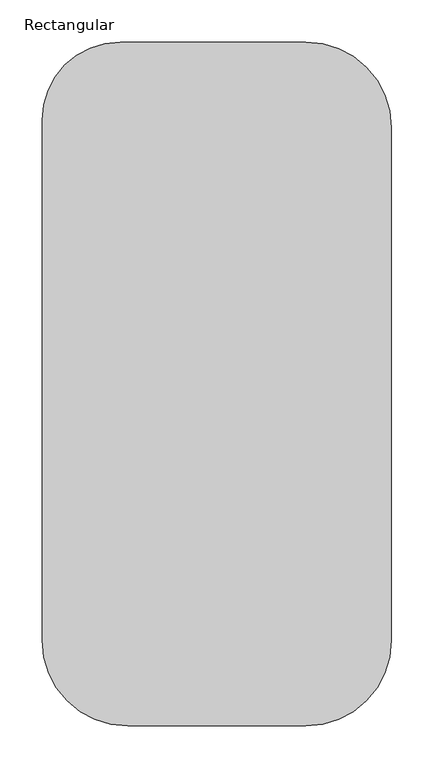
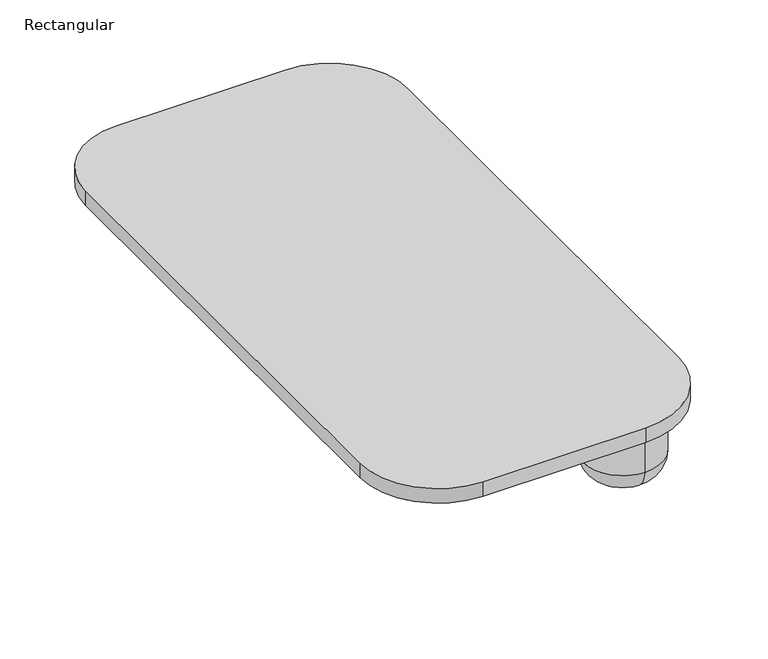
"""IFC4 building model written with IfcOpenShell, lengths in millimetres: furniture geometry, Rectangular."""

from ifc_helpers import new_model, si_unit, point, frame, frame_2d, origin, place, context, project, spatial, polyline, circle_curve, ellipse_curve, trimmed, segment, composite_curve, outline, extrude, source, transform, mapped, element, save
from ifc_brep_helpers import plane_surface, cylinder_surface, revolved_surface, advanced_brep


def rectangular_901ed109(model_context):
    return source(origin(), model_context, "Body", "SolidModel", [
        extrude(outline(composite_curve([segment(trimmed(circle_curve(frame_2d((123.19, 132.955)), 3.81), [point((127.0, 132.955))], [point((123.19, 129.145))], False, "CARTESIAN"), True, "CONTINUOUS"), segment(polyline([(123.19, 129.145), (74.93, 129.145)]), True, "CONTINUOUS"), segment(trimmed(circle_curve(frame_2d((74.93, 132.955)), 3.81), [point((74.93, 129.145))], [point((71.12, 132.955))], False, "CARTESIAN"), True, "CONTINUOUS"), segment(polyline([(71.12, 132.955), (71.12, 155.335)]), True, "CONTINUOUS"), segment(trimmed(circle_curve(frame_2d((74.93, 155.335)), 3.81), [point((71.12, 155.335))], [point((74.93, 159.145))], False, "CARTESIAN"), True, "CONTINUOUS"), segment(polyline([(74.93, 159.145), (123.19, 159.145)]), True, "CONTINUOUS"), segment(trimmed(circle_curve(frame_2d((123.19, 155.335)), 3.81), [point((123.19, 159.145))], [point((127.0, 155.335))], False, "CARTESIAN"), True, "CONTINUOUS"), segment(polyline([(127.0, 155.335), (127.0, 132.955)]), True, "CONTINUOUS")], self_intersect=False)), frame((0.0, -288.29, 0.0), z_axis=(0.0, 1.0, 0.0), x_axis=(0.0, 0.0, 1.0)), (0.0, 0.0, 1.0), 576.58),
        advanced_brep(
        [(144.145, 288.29, 127.0), (144.145, 237.49, 127.0), (144.145, 339.09, 127.0), (144.145, 237.49, 31.75), (144.145, 339.09, 31.75), (144.145, 269.24, 0.0), (144.145, 307.34, 0.0), (144.145, 288.29, 0.0)],
        [
            (0, 1),
            (1, 2, circle_curve(frame((144.145, 288.29, 127.0), z_axis=(0.0, 0.0, 1.0), x_axis=(0.0, 1.0, 0.0)), 50.8)),
            (2, 0),
            (2, 1, circle_curve(frame((144.145, 288.29, 127.0), z_axis=(0.0, 0.0, 1.0), x_axis=(0.0, 1.0, 0.0)), 50.8)),
            (1, 3),
            (3, 4, circle_curve(frame((144.145, 288.29, 31.75), z_axis=(0.0, 0.0, 1.0), x_axis=(0.0, 1.0, 0.0)), 50.8)),
            (4, 2),
            (4, 3, circle_curve(frame((144.145, 288.29, 31.75), z_axis=(0.0, 0.0, 1.0), x_axis=(0.0, 1.0, 0.0)), 50.8)),
            (3, 5, circle_curve(frame((144.145, 269.24, 31.75), z_axis=(1.0, 0.0, 0.0), x_axis=(0.0, -1.0, 0.0)), 31.75)),
            (5, 6, circle_curve(frame((144.145, 288.29, 0.0), z_axis=(0.0, 0.0, 1.0), x_axis=(0.0, 1.0, 0.0)), 19.05)),
            (6, 4, circle_curve(frame((144.145, 307.34, 31.75), z_axis=(1.0, 0.0, 0.0), x_axis=(0.0, 1.0, 0.0)), 31.75)),
            (6, 5, circle_curve(frame((144.145, 288.29, 0.0), z_axis=(0.0, 0.0, 1.0), x_axis=(0.0, 1.0, 0.0)), 19.05)),
            (5, 7),
            (7, 6),
        ],
        [
            plane_surface(frame((144.145, 288.29, 127.0), z_axis=(0.0, 0.0, 1.0), x_axis=(0.0, 1.0, 0.0))),
            cylinder_surface(frame((144.145, 288.29, 153.52), z_axis=(0.0, 0.0, 1.0), x_axis=(0.0, 1.0, 0.0)), 50.8),
            revolved_surface(trimmed(ellipse_curve(frame((144.145, 307.34, 31.75), z_axis=(1.0, 0.0, 0.0), x_axis=(0.0, 1.0, 0.0)), 31.75, 31.75), [point((144.145, 307.34, 0.0))], [point((144.145, 339.09, 31.75))], True, "CARTESIAN"), (144.145, 288.29, 153.52), (0.0, 0.0, 1.0)),
            plane_surface(frame((144.145, 288.29, 0.0), z_axis=(0.0, 0.0, -1.0), x_axis=(0.0, 1.0, 0.0))),
        ],
        [
            (0, [[1, 2, 3]]),
            (0, [[-3, 4, -1]]),
            (1, [[5, 6, 7, -2]]),
            (1, [[-7, 8, -5, -4]]),
            (2, [[9, 10, 11, -6]]),
            (2, [[-11, 12, -9, -8]]),
            (3, [[13, 14, -10]]),
            (3, [[-14, -13, -12]]),
        ],
    ),
        advanced_brep(
        [(144.145, -237.49, 127.0), (144.145, -288.29, 127.0), (144.145, -339.09, 127.0), (144.145, -237.49, 31.75), (144.145, -339.09, 31.75), (144.145, -269.24, 0.0), (144.145, -307.34, 0.0), (144.145, -288.29, 0.0)],
        [
            (0, 1),
            (1, 2),
            (2, 0, circle_curve(frame((144.145, -288.29, 127.0), z_axis=(0.0, 0.0, 1.0), x_axis=(0.0, -1.0, 0.0)), 50.8)),
            (0, 2, circle_curve(frame((144.145, -288.29, 127.0), z_axis=(0.0, 0.0, 1.0), x_axis=(0.0, -1.0, 0.0)), 50.8)),
            (3, 0),
            (2, 4),
            (4, 3, circle_curve(frame((144.145, -288.29, 31.75), z_axis=(0.0, 0.0, 1.0), x_axis=(0.0, -1.0, 0.0)), 50.8)),
            (3, 4, circle_curve(frame((144.145, -288.29, 31.75), z_axis=(0.0, 0.0, 1.0), x_axis=(0.0, -1.0, 0.0)), 50.8)),
            (5, 3, circle_curve(frame((144.145, -269.24, 31.75), z_axis=(1.0, 0.0, 0.0), x_axis=(0.0, 1.0, 0.0)), 31.75)),
            (4, 6, circle_curve(frame((144.145, -307.34, 31.75), z_axis=(1.0, 0.0, 0.0), x_axis=(0.0, -1.0, 0.0)), 31.75)),
            (6, 5, circle_curve(frame((144.145, -288.29, 0.0), z_axis=(0.0, 0.0, 1.0), x_axis=(0.0, -1.0, 0.0)), 19.05)),
            (5, 6, circle_curve(frame((144.145, -288.29, 0.0), z_axis=(0.0, 0.0, 1.0), x_axis=(0.0, -1.0, 0.0)), 19.05)),
            (7, 5),
            (6, 7),
        ],
        [
            plane_surface(frame((144.145, -288.29, 127.0), z_axis=(0.0, 0.0, 1.0), x_axis=(0.0, -1.0, 0.0))),
            cylinder_surface(frame((144.145, -288.29, 153.52), z_axis=(0.0, 0.0, -1.0), x_axis=(0.0, -1.0, 0.0)), 50.8),
            revolved_surface(trimmed(ellipse_curve(frame((144.145, -307.34, 31.75), z_axis=(1.0, 0.0, 0.0), x_axis=(0.0, -1.0, 0.0)), 31.75, 31.75), [point((144.145, -339.09, 31.75))], [point((144.145, -307.34, 0.0))], True, "CARTESIAN"), (144.145, -288.29, 153.52), (0.0, 0.0, -1.0)),
            plane_surface(frame((144.145, -288.29, 0.0), z_axis=(0.0, 0.0, -1.0), x_axis=(0.0, -1.0, 0.0))),
        ],
        [
            (0, [[1, 2, 3]]),
            (0, [[-2, -1, 4]]),
            (1, [[5, -3, 6, 7]]),
            (1, [[-6, -4, -5, 8]]),
            (2, [[9, -7, 10, 11]]),
            (2, [[-10, -8, -9, 12]]),
            (3, [[13, -11, 14]]),
            (3, [[-14, -12, -13]]),
        ],
    ),
        extrude(outline(composite_curve([segment(trimmed(circle_curve(frame_2d((106.045, 304.8)), 101.6), [point((106.045, 406.4))], [point((207.645, 304.8))], False, "CARTESIAN"), True, "CONTINUOUS"), segment(polyline([(207.645, 304.8), (207.645, -304.8)]), True, "CONTINUOUS"), segment(trimmed(circle_curve(frame_2d((106.045, -304.8)), 101.6), [point((207.645, -304.8))], [point((106.045, -406.4))], False, "CARTESIAN"), True, "CONTINUOUS"), segment(polyline([(106.045, -406.4), (-106.045, -406.4)]), True, "CONTINUOUS"), segment(trimmed(circle_curve(frame_2d((-106.045, -304.8)), 101.6), [point((-106.045, -406.4))], [point((-207.645, -304.8))], False, "CARTESIAN"), True, "CONTINUOUS"), segment(polyline([(-207.645, -304.8), (-207.645, 313.69)]), True, "CONTINUOUS"), segment(trimmed(circle_curve(frame_2d((-114.935, 313.69)), 92.71), [point((-207.645, 313.69))], [point((-114.935, 406.4))], False, "CARTESIAN"), True, "CONTINUOUS"), segment(polyline([(-114.935, 406.4), (106.045, 406.4)]), True, "CONTINUOUS")], self_intersect=False)), frame((0.0, 0.0, 127.0), z_axis=(0.0, 0.0, 1.0), x_axis=(1.0, 0.0, 0.0)), (0.0, 0.0, 1.0), 20.0),
        extrude(outline(composite_curve([segment(polyline([(-299.48, 127.0), (-277.1, 127.0)]), True, "CONTINUOUS"), segment(trimmed(circle_curve(frame_2d((-277.1, 123.19)), 3.81), [point((-277.1, 127.0))], [point((-273.29, 123.19))], False, "CARTESIAN"), True, "CONTINUOUS"), segment(polyline([(-273.29, 123.19), (-273.29, 74.93)]), True, "CONTINUOUS"), segment(trimmed(circle_curve(frame_2d((-277.1, 74.93)), 3.81), [point((-273.29, 74.93))], [point((-277.1, 71.12))], False, "CARTESIAN"), True, "CONTINUOUS"), segment(polyline([(-277.1, 71.12), (-299.48, 71.12)]), True, "CONTINUOUS"), segment(trimmed(circle_curve(frame_2d((-299.48, 74.93)), 3.81), [point((-299.48, 71.12))], [point((-303.29, 74.93))], False, "CARTESIAN"), True, "CONTINUOUS"), segment(polyline([(-303.29, 74.93), (-303.29, 123.19)]), True, "CONTINUOUS"), segment(trimmed(circle_curve(frame_2d((-299.48, 123.19)), 3.81), [point((-303.29, 123.19))], [point((-299.48, 127.0))], False, "CARTESIAN"), True, "CONTINUOUS")], self_intersect=False)), frame((-144.145, 0.0, 0.0), z_axis=(1.0, 0.0, 0.0), x_axis=(0.0, 1.0, 0.0)), (0.0, 0.0, 1.0), 288.29),
        extrude(outline(composite_curve([segment(trimmed(circle_curve(frame_2d((299.48, 123.19)), 3.81), [point((299.48, 127.0))], [point((303.29, 123.19))], False, "CARTESIAN"), True, "CONTINUOUS"), segment(polyline([(303.29, 123.19), (303.29, 74.93)]), True, "CONTINUOUS"), segment(trimmed(circle_curve(frame_2d((299.48, 74.93)), 3.81), [point((303.29, 74.93))], [point((299.48, 71.12))], False, "CARTESIAN"), True, "CONTINUOUS"), segment(polyline([(299.48, 71.12), (277.1, 71.12)]), True, "CONTINUOUS"), segment(trimmed(circle_curve(frame_2d((277.1, 74.93)), 3.81), [point((277.1, 71.12))], [point((273.29, 74.93))], False, "CARTESIAN"), True, "CONTINUOUS"), segment(polyline([(273.29, 74.93), (273.29, 123.19)]), True, "CONTINUOUS"), segment(trimmed(circle_curve(frame_2d((277.1, 123.19)), 3.81), [point((273.29, 123.19))], [point((277.1, 127.0))], False, "CARTESIAN"), True, "CONTINUOUS"), segment(polyline([(277.1, 127.0), (299.48, 127.0)]), True, "CONTINUOUS")], self_intersect=False)), frame((-144.145, 0.0, 0.0), z_axis=(1.0, 0.0, 0.0), x_axis=(0.0, 1.0, 0.0)), (0.0, 0.0, 1.0), 288.29),
    ])


if __name__ == "__main__":
    model = new_model("IFC4")
    model_context = context("Model", 3, world=origin())
    ifc_project = project(units=[si_unit("LENGTHUNIT", "METRE", prefix="MILLI")], contexts=[model_context])
    site = spatial("IfcSite", under=ifc_project)
    building = spatial("IfcBuilding", under=site)
    placement = place(None, origin())
    rectangular_shape = rectangular_901ed109(model_context)
    element("IfcFurniture", 1, ObjectType="Rectangular", at=placement, inside=building, context=model_context, shape_type="MappedRepresentation", body=[
        mapped(rectangular_shape, transform((0.0, 0.0, 0.0), x_axis=(1.0, 0.0, 0.0), y_axis=(0.0, 1.0, 0.0), z_axis=(0.0, 0.0, 1.0))),
    ])
    save(model, "model.ifc")
